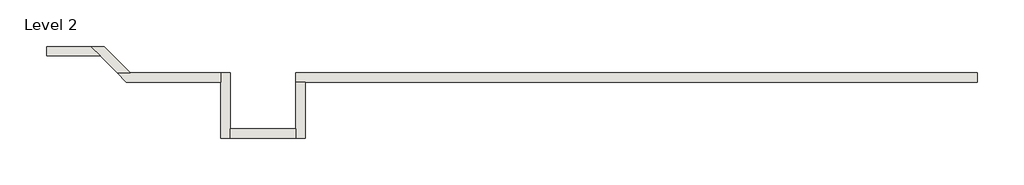
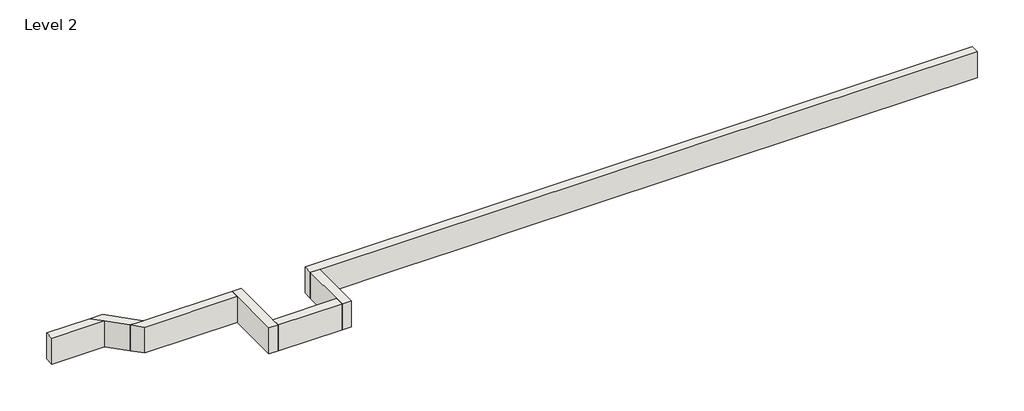
# One storey: 7 walls.
"""IFC4 building model written with IfcOpenShell, lengths in millimetres."""

from ifc_helpers import new_model, si_unit, frame, origin, place, context, project, spatial, polyline, outline, extrude, faceted_brep, element, save

model = new_model("IFC4")

# Units and contexts
model_context = context("Model", 3, world=origin())
ifc_project = project(units=[si_unit("LENGTHUNIT", "METRE", prefix="MILLI")], contexts=[model_context])

# Site, building, storey
site = spatial("IfcSite", under=ifc_project)
building = spatial("IfcBuilding", under=site)
storey = spatial("IfcBuildingStorey", under=building, Name="Level 2", Elevation=3048.0)

# Walls
placement = place(None, origin())
element("IfcWall", 1, ObjectType="Generic - 8\" Brick", at=placement, inside=storey, context=model_context, shape_type="Brep", body=[
    faceted_brep([(16459.157857, 1422.3976187, 3048.0), (10972.757857, 1422.3976187, 3048.0), (10363.157857, 1422.3976187, 3048.0), (7315.157857, 1422.3976187, 3048.0), (6705.557857, 1422.3976187, 3048.0), (4876.757857, 1422.3976187, 3048.0), (3657.557857, 1422.3976187, 3048.0), (1625.5602383, 1422.3976187, 3048.0), (1625.5602383, 1422.3976187, 3657.6), (16459.157857, 1422.3976187, 3657.6), (16459.157857, 1219.1976187, 3048.0), (16459.157857, 1219.1976187, 3657.6), (1828.7602383, 1219.1976187, 3657.6), (1625.5602383, 1219.1976187, 3657.6), (1625.5602383, 1219.1976187, 3048.0), (1828.7602383, 1219.1976187, 3048.0), (3657.557857, 1219.1976187, 3048.0), (4876.757857, 1219.1976187, 3048.0), (6705.557857, 1219.1976187, 3048.0), (7315.157857, 1219.1976187, 3048.0), (10363.157857, 1219.1976187, 3048.0), (10972.757857, 1219.1976187, 3048.0)], [[[0, 1, 2, 3, 4, 5, 6, 7, 8, 9]], [[10, 11, 12, 13, 14, 15, 16, 17, 18, 19, 20, 21]], [[7, 6, 5, 4, 3, 2, 1, 0, 10, 21, 20, 19, 18, 17, 16, 15, 14]], [[9, 8, 13, 12, 11]], [[0, 9, 11, 10]], [[8, 7, 14, 13]]]),
])
element("IfcWall", 2, ObjectType="Generic - 8\" Brick", at=placement, inside=storey, context=model_context, shape_type="Brep", body=[
    faceted_brep([(1625.5602383, 1219.1976187, 3048.0), (1625.5602383, 203.2, 3048.0), (1625.5602383, 0.0, 3048.0), (1625.5602383, 0.0, 3657.6), (1625.5602383, 203.2, 3657.6), (1625.5602383, 1219.1976187, 3657.6), (1828.7602383, 1219.1976187, 3048.0), (1828.7602383, 1219.1976187, 3657.6), (1828.7602383, 0.0, 3657.6), (1828.7602383, 0.0, 3048.0)], [[[0, 1, 2, 3, 4, 5]], [[6, 7, 8, 9]], [[2, 1, 0, 6, 9]], [[5, 4, 3, 8, 7]], [[0, 5, 7, 6]], [[3, 2, 9, 8]]]),
])
element("IfcWall", 3, ObjectType="Generic - 8\" Brick", at=placement, inside=storey, context=model_context, shape_type="SweptSolid", body=[
    extrude(outline(polyline([(203.157857, 203.2), (1625.5602383, 203.2), (1625.5602383, 0.0), (203.157857, 0.0), (203.157857, 203.2)])), frame((0.0, 0.0, 3048.0), z_axis=(0.0, 0.0, 1.0), x_axis=(1.0, 0.0, 0.0)), (0.0, 0.0, 1.0), 609.6),
])
element("IfcWall", 4, ObjectType="Generic - 8\" Brick", at=placement, inside=storey, context=model_context, shape_type="Brep", body=[
    faceted_brep([(203.157857, 0.0, 3048.0), (203.157857, 203.2, 3048.0), (203.157857, 1422.3976187, 3048.0), (203.157857, 1422.3976187, 3657.6), (203.157857, 203.2, 3657.6), (203.157857, 0.0, 3657.6), (-0.042143, 0.0, 3048.0), (-0.042143, 0.0, 3657.6), (-0.042143, 1219.1976187, 3657.6), (-0.042143, 1422.3976187, 3657.6), (-0.042143, 1422.3976187, 3048.0), (-0.042143, 1219.1976187, 3048.0)], [[[0, 1, 2, 3, 4, 5]], [[6, 7, 8, 9, 10, 11]], [[2, 1, 0, 6, 11, 10]], [[5, 4, 3, 9, 8, 7]], [[0, 5, 7, 6]], [[3, 2, 10, 9]]]),
])
element("IfcWall", 5, ObjectType="Generic - 8\" Brick", at=placement, inside=storey, context=model_context, shape_type="Brep", body=[
    faceted_brep([(-0.042143, 1422.3976187, 3048.0), (-1973.2398159, 1422.3976187, 3048.0), (-2260.6080117, 1422.3976187, 3048.0), (-2260.6080117, 1422.3976187, 3657.6), (-1973.2398159, 1422.3976187, 3657.6), (-0.042143, 1422.3976187, 3657.6), (-0.042143, 1219.1976187, 3048.0), (-0.042143, 1219.1976187, 3657.6), (-2057.4080117, 1219.1976187, 3657.6), (-2057.4080117, 1219.1976187, 3048.0)], [[[0, 1, 2, 3, 4, 5]], [[6, 7, 8, 9]], [[2, 1, 0, 6, 9]], [[5, 4, 3, 8, 7]], [[0, 5, 7, 6]], [[3, 2, 9, 8]]]),
])
element("IfcWall", 6, ObjectType="Generic - 8\" Brick", at=placement, inside=storey, context=model_context, shape_type="Brep", body=[
    faceted_brep([(-1973.2398159, 1422.3976187, 3048.0), (-2544.2673392, 1993.4251421, 3048.0), (-2544.2673392, 1993.4251421, 3657.6), (-1973.2398159, 1422.3976187, 3657.6), (-2260.6080117, 1422.3976187, 3048.0), (-2260.6080117, 1422.3976187, 3657.6), (-2628.435535, 1790.2251421, 3657.6), (-2831.635535, 1993.4251421, 3657.6), (-2831.635535, 1993.4251421, 3048.0), (-2628.435535, 1790.2251421, 3048.0)], [[[0, 1, 2, 3]], [[4, 5, 6, 7, 8, 9]], [[1, 0, 4, 9, 8]], [[3, 2, 7, 6, 5]], [[2, 1, 8, 7]], [[0, 3, 5, 4]]]),
])
element("IfcWall", 7, ObjectType="Generic - 8\" Brick", at=placement, inside=storey, context=model_context, shape_type="SweptSolid", body=[
    extrude(outline(polyline([(-3795.2817824, 1993.4251421), (-2831.635535, 1993.4251421), (-2628.435535, 1790.2251421), (-3795.2817824, 1790.2251421), (-3795.2817824, 1993.4251421)])), frame((0.0, 0.0, 3048.0), z_axis=(0.0, 0.0, 1.0), x_axis=(1.0, 0.0, 0.0)), (0.0, 0.0, 1.0), 609.6),
])

save(model, "model.ifc")
